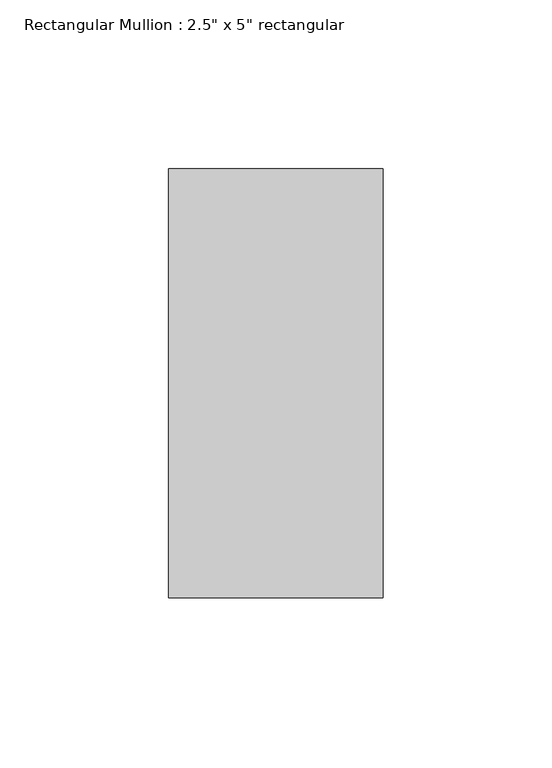
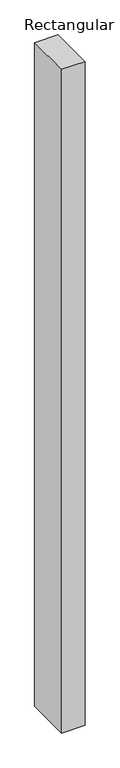
"""IFC4 building model written with IfcOpenShell, lengths in millimetres: member geometry."""

from ifc_helpers import new_model, si_unit, frame, origin, place, context, project, spatial, polyline, outline, extrude, source, transform, mapped, element, save


def member_a6658832(model_context):
    return source(origin(), model_context, "Body", "SweptSolid", [
        extrude(outline(polyline([(0.0, 63.5), (0.0, -63.5), (-63.5, -63.5), (-63.5, 63.5), (0.0, 63.5)])), frame((0.0, 0.0, -1905.0), z_axis=(0.0, 0.0, 1.0), x_axis=(1.0, 0.0, 0.0)), (0.0, 0.0, 1.0), 1905.0),
    ])


if __name__ == "__main__":
    model = new_model("IFC4")
    model_context = context("Model", 3, world=origin())
    ifc_project = project(units=[si_unit("LENGTHUNIT", "METRE", prefix="MILLI")], contexts=[model_context])
    site = spatial("IfcSite", under=ifc_project)
    building = spatial("IfcBuilding", under=site)
    placement = place(None, origin())
    member_shape = member_a6658832(model_context)
    element("IfcMember", 1, ObjectType="Rectangular Mullion : 2.5\" x 5\" rectangular", at=placement, inside=building, context=model_context, shape_type="MappedRepresentation", body=[
        mapped(member_shape, transform((0.0, 0.0, 0.0), x_axis=(1.0, 0.0, 0.0), y_axis=(0.0, 1.0, 0.0), z_axis=(0.0, 0.0, 1.0))),
    ])
    save(model, "model.ifc")
